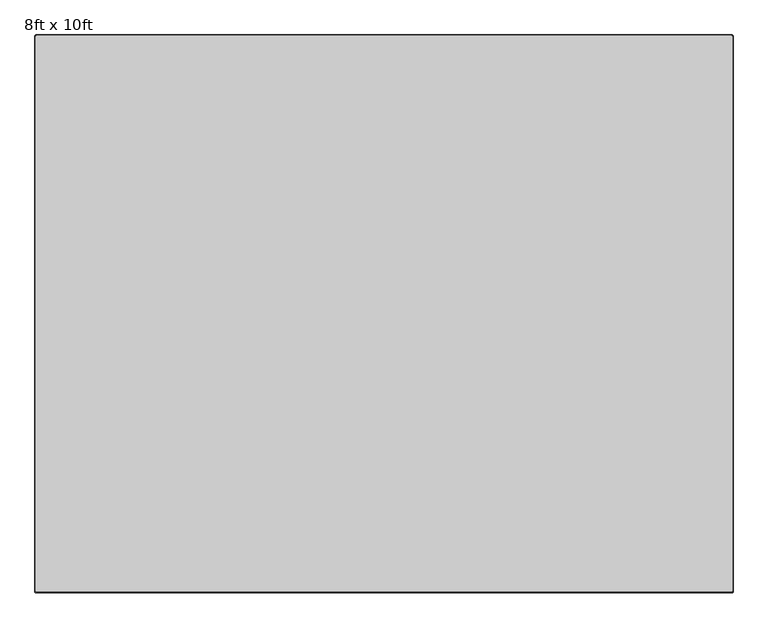
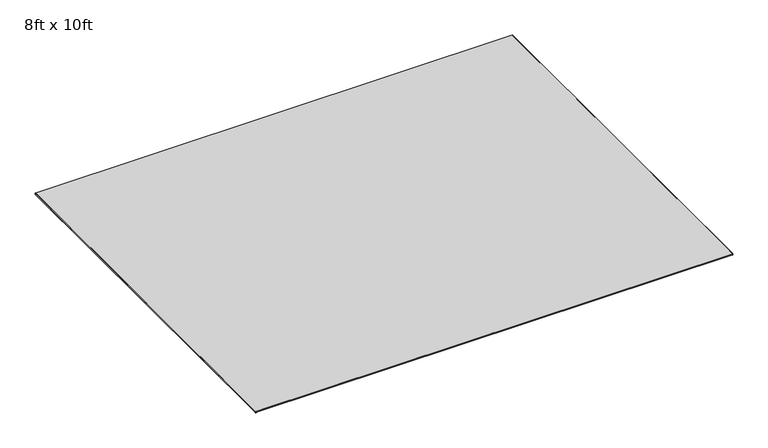
"""IFC4 building model written with IfcOpenShell, lengths in millimetres: furniture geometry, 8ft x 10ft."""

from ifc_helpers import new_model, si_unit, frame, origin, place, context, project, spatial, polyline, circle_curve, source, transform, mapped, element, save
from ifc_brep_helpers import plane_surface, cylinder_surface, revolved_surface, advanced_brep


def furniture_8ft_x_10ft_7fc26e10(model_context):
    return source(origin(), model_context, "Body", "AdvancedBrep", [
        advanced_brep(
        [(-663.9665124, 796.3794681, 4.4450002), (-658.8809829, 801.4649977, 4.4450002), (-658.8809829, 801.4649977, 0.0), (-663.9665124, 796.3794681, 0.0), (-661.4265124, 796.3794681, 6.9850002), (-658.8809829, 798.9249977, 6.9850002), (-663.9665124, -1631.8550023, 0.0), (-663.9665124, -1631.8550023, 4.4450002), (-661.4265124, -1631.8550023, 6.9850002), (-658.8865124, -1636.9350023, 0.0), (-658.8865124, -1636.9350023, 4.4450002), (-658.8865124, -1634.3950023, 6.9850002), (2378.9533713, -1636.9350023, 0.0), (2378.9533713, -1636.9350023, 4.4450002), (2378.9533713, -1634.3950023, 6.9850002), (2384.0333713, -1631.8550023, 0.0), (2384.0333713, -1631.8550023, 4.4450002), (2381.4933713, -1631.8550023, 6.9850002), (2384.0333713, 796.3849977, 0.0), (2384.0333713, 796.3849977, 4.4450002), (2381.4933713, 796.3849977, 6.9850002), (2378.9533713, 801.4649977, 0.0), (2378.9533713, 801.4649977, 4.4450002), (2378.9533713, 798.9249977, 6.9850002)],
        [
            (0, 1, circle_curve(frame((-658.8809829, 796.3794681, 4.4450002), z_axis=(0.0, 0.0, -1.0), x_axis=(0.0, 1.0, 0.0)), 5.0855296)),
            (1, 2),
            (2, 3, circle_curve(frame((-658.8809829, 796.3794681, 0.0), z_axis=(0.0, 0.0, 1.0), x_axis=(0.0, 1.0, 0.0)), 5.0855296)),
            (3, 0),
            (0, 4),
            (4, 5, circle_curve(frame((-658.8809829, 796.3794681, 6.9850002), z_axis=(0.0, 0.0, -1.0), x_axis=(0.0, 1.0, 0.0)), 2.5455296)),
            (5, 1),
            (3, 6),
            (6, 7),
            (7, 0),
            (7, 8),
            (8, 4),
            (6, 9, circle_curve(frame((-658.8865124, -1631.8550023, 0.0), z_axis=(0.0, 0.0, 1.0), x_axis=(-1.0, 0.0, 0.0)), 5.08)),
            (9, 10),
            (10, 7, circle_curve(frame((-658.8865124, -1631.8550023, 4.4450002), z_axis=(0.0, 0.0, -1.0), x_axis=(-1.0, 0.0, 0.0)), 5.08)),
            (10, 11),
            (11, 8, circle_curve(frame((-658.8865124, -1631.8550023, 6.9850002), z_axis=(0.0, 0.0, -1.0), x_axis=(-1.0, 0.0, 0.0)), 2.54)),
            (9, 12),
            (12, 13),
            (13, 10),
            (13, 14),
            (14, 11),
            (12, 15, circle_curve(frame((2378.9533713, -1631.8550023, 0.0), z_axis=(0.0, 0.0, 1.0), x_axis=(0.0, -1.0, 0.0)), 5.08)),
            (15, 16),
            (16, 13, circle_curve(frame((2378.9533713, -1631.8550023, 4.4450002), z_axis=(0.0, 0.0, -1.0), x_axis=(0.0, -1.0, 0.0)), 5.08)),
            (16, 17),
            (17, 14, circle_curve(frame((2378.9533713, -1631.8550023, 6.9850002), z_axis=(0.0, 0.0, -1.0), x_axis=(0.0, -1.0, 0.0)), 2.54)),
            (15, 18),
            (18, 19),
            (19, 16),
            (19, 20),
            (20, 17),
            (18, 21, circle_curve(frame((2378.9533713, 796.3849977, 0.0), z_axis=(0.0, 0.0, 1.0), x_axis=(1.0, 0.0, 0.0)), 5.08)),
            (21, 22),
            (22, 19, circle_curve(frame((2378.9533713, 796.3849977, 4.4450002), z_axis=(0.0, 0.0, -1.0), x_axis=(1.0, 0.0, 0.0)), 5.08)),
            (22, 23),
            (23, 20, circle_curve(frame((2378.9533713, 796.3849977, 6.9850002), z_axis=(0.0, 0.0, -1.0), x_axis=(1.0, 0.0, 0.0)), 2.54)),
            (2, 21),
            (1, 22),
            (5, 23),
        ],
        [
            cylinder_surface(frame((-658.8809829, 796.3794681, 0.0), z_axis=(0.0, 0.0, 1.0), x_axis=(0.0, 1.0, 0.0)), 5.0855296),
            revolved_surface(polyline([(-658.8809829, 801.4649977, 4.4450002), (-658.8809829, 798.9249977, 6.9850002)]), (-658.8809829, 796.3794681, 0.0), (0.0, 0.0, 1.0)),
            plane_surface(frame((-663.9665124, 796.3794681, 0.0), z_axis=(-1.0, 0.0, 0.0), x_axis=(0.0, -1.0, 0.0))),
            plane_surface(frame((-663.9665124, 796.3794681, 4.4450002), z_axis=(-0.7071067811865469, 0.0, 0.7071067811865482), x_axis=(0.0, -1.0, 0.0))),
            cylinder_surface(frame((-658.8865124, -1631.8550023, 0.0), z_axis=(0.0, 0.0, 1.0), x_axis=(-1.0, 0.0, 0.0)), 5.08),
            revolved_surface(polyline([(-663.9665124, -1631.8550023, 4.4450002), (-661.4265124, -1631.8550023, 6.9850002)]), (-658.8865124, -1631.8550023, 0.0), (0.0, 0.0, 1.0)),
            plane_surface(frame((-658.8865124, -1636.9350023, 0.0), z_axis=(0.0, -1.0, 0.0), x_axis=(1.0, 0.0, 0.0))),
            plane_surface(frame((-658.8865124, -1636.9350023, 4.4450002), z_axis=(0.0, -0.7071067811865469, 0.7071067811865482), x_axis=(1.0, 0.0, 0.0))),
            cylinder_surface(frame((2378.9533713, -1631.8550023, 0.0), z_axis=(0.0, 0.0, 1.0), x_axis=(0.0, -1.0, 0.0)), 5.08),
            revolved_surface(polyline([(2378.9533713, -1636.9350023, 4.4450002), (2378.9533713, -1634.3950023, 6.9850002)]), (2378.9533713, -1631.8550023, 0.0), (0.0, 0.0, 1.0)),
            plane_surface(frame((2384.0333713, -1631.8550023, 0.0), z_axis=(1.0, 0.0, 0.0), x_axis=(0.0, 1.0, 0.0))),
            plane_surface(frame((2384.0333713, -1631.8550023, 4.4450002), z_axis=(0.7071067811865469, 0.0, 0.7071067811865482), x_axis=(0.0, 1.0, 0.0))),
            cylinder_surface(frame((2378.9533713, 796.3849977, 0.0), z_axis=(0.0, 0.0, 1.0), x_axis=(1.0, 0.0, 0.0)), 5.08),
            revolved_surface(polyline([(2384.0333713, 796.3849977, 4.4450002), (2381.4933713, 796.3849977, 6.9850002)]), (2378.9533713, 796.3849977, 0.0), (0.0, 0.0, 1.0)),
            plane_surface(frame((2378.9533713, 798.9249977, 0.0), z_axis=(0.0, 0.0, -1.0), x_axis=(-1.0, 0.0, 0.0))),
            plane_surface(frame((2378.9533713, 801.4649977, 0.0), z_axis=(0.0, 1.0, 0.0), x_axis=(-1.0, 0.0, 0.0))),
            plane_surface(frame((2378.9533713, 801.4649977, 4.4450002), z_axis=(0.0, 0.7071067811865469, 0.7071067811865482), x_axis=(-1.0, 0.0, 0.0))),
            plane_surface(frame((-658.8809829, 798.9249977, 6.9850002), z_axis=(0.0, 0.0, 1.0), x_axis=(-1.0, 0.0, 0.0))),
        ],
        [
            (0, [[1, 2, 3, 4]]),
            (1, [[-1, 5, 6, 7]]),
            (2, [[-4, 8, 9, 10]]),
            (3, [[-5, -10, 11, 12]]),
            (4, [[-9, 13, 14, 15]]),
            (5, [[-11, -15, 16, 17]]),
            (6, [[-14, 18, 19, 20]]),
            (7, [[-16, -20, 21, 22]]),
            (8, [[-19, 23, 24, 25]]),
            (9, [[-21, -25, 26, 27]]),
            (10, [[-24, 28, 29, 30]]),
            (11, [[-26, -30, 31, 32]]),
            (12, [[-29, 33, 34, 35]]),
            (13, [[-31, -35, 36, 37]]),
            (14, [[-3, 38, -33, -28, -23, -18, -13, -8]]),
            (15, [[-2, 39, -34, -38]]),
            (16, [[-7, 40, -36, -39]]),
            (17, [[-6, -12, -17, -22, -27, -32, -37, -40]]),
        ],
    ),
    ])


if __name__ == "__main__":
    model = new_model("IFC4")
    model_context = context("Model", 3, world=origin())
    ifc_project = project(units=[si_unit("LENGTHUNIT", "METRE", prefix="MILLI")], contexts=[model_context])
    site = spatial("IfcSite", under=ifc_project)
    building = spatial("IfcBuilding", under=site)
    placement = place(None, origin())
    furniture_8ft_x_10ft_shape = furniture_8ft_x_10ft_7fc26e10(model_context)
    element("IfcFurniture", 1, ObjectType="8ft x 10ft", at=placement, inside=building, context=model_context, shape_type="MappedRepresentation", body=[
        mapped(furniture_8ft_x_10ft_shape, transform((0.0, 0.0, 0.0), x_axis=(1.0, 0.0, 0.0), y_axis=(0.0, 1.0, 0.0), z_axis=(0.0, 0.0, 1.0))),
    ])
    save(model, "model.ifc")
